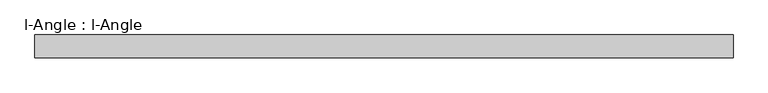
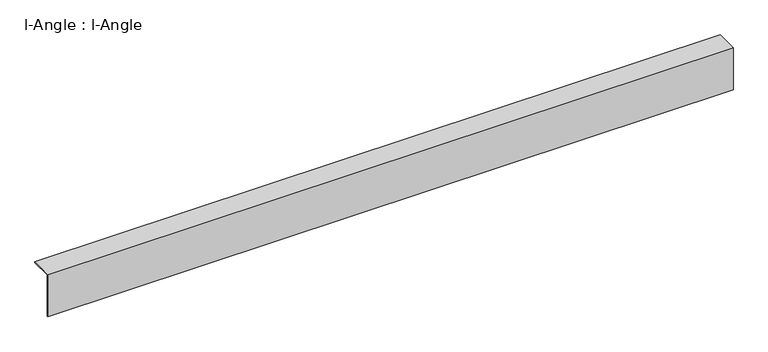
"""IFC4 building model written with IfcOpenShell, lengths in millimetres: proxy geometry, l-Angle : l-Angle."""

import ifcopenshell
import ifcopenshell.guid

model = None  # the IFC model being written
_history = None  # IfcOwnerHistory: only IFC2X3 demands one
_inside = {}  # id of a spatial element -> (the spatial element, [elements in it])
_under = {}  # id of a project, library or spatial element -> (it, [spatial elements below it])
_declared = {}  # id of a project -> (the project, [libraries it declares])
_typed = {}  # id of a type object -> (the type object, [elements of that type])
_made_of = {}  # id of a material, layer set ... -> (it, [elements and type objects made of it])


def new_model(schema):
    """Start an empty IFC model of exactly this schema.

    Asked for "IFC4X3", IfcOpenShell would pick the latest addendum, in which some entities
    have other attributes; the version numbers below select the first issue.
    IFC2X3 requires an IfcOwnerHistory on every rooted entity: one is made here for all.
    """
    global model, _history
    if schema == "IFC4X3":
        model = ifcopenshell.file(schema_version=(4, 3, 0, 0))
    else:
        model = ifcopenshell.file(schema=schema)
    _inside.clear()
    _under.clear()
    _declared.clear()
    _typed.clear()
    _made_of.clear()
    _history = None
    if model.schema == "IFC2X3":
        org = make("IfcOrganization", Name="unknown")
        user = make(
            "IfcPersonAndOrganization",
            ThePerson=make("IfcPerson", FamilyName="unknown"),
            TheOrganization=org,
        )
        app = make(
            "IfcApplication",
            ApplicationDeveloper=org,
            Version="unknown",
            ApplicationFullName="unknown",
            ApplicationIdentifier="unknown",
        )
        _history = make(
            "IfcOwnerHistory",
            OwningUser=user,
            OwningApplication=app,
            ChangeAction="ADDED",
            CreationDate=0,
        )
    return model


def make(cls, **values):
    """One entity of the class cls with the attributes given. An attribute that is None is left unset."""
    return model.create_entity(
        cls, **{name: value for name, value in values.items() if value is not None}
    )


def rooted(cls, **values):
    """An entity with a GlobalId (a new one), such as an element, a storey or a relation."""
    return make(cls, GlobalId=ifcopenshell.guid.new(), OwnerHistory=_history, **values)


def si_unit(unit_type, name, prefix=None):
    """IfcSIUnit, for example si_unit("LENGTHUNIT", "METRE", prefix="MILLI")."""
    return make("IfcSIUnit", UnitType=unit_type, Prefix=prefix, Name=name)


def assignment(units):
    """IfcUnitAssignment: the units of a project."""
    return None if units is None else make("IfcUnitAssignment", Units=units)


def point(xyz):
    """IfcCartesianPoint."""
    return None if xyz is None else make("IfcCartesianPoint", Coordinates=xyz)


def direction(xyz):
    """IfcDirection."""
    return None if xyz is None else make("IfcDirection", DirectionRatios=xyz)


def frame(location, z_axis=None, x_axis=None):
    """IfcAxis2Placement3D, a coordinate frame: its origin and axes. An axis left out is left unset."""
    return make(
        "IfcAxis2Placement3D",
        Location=point(location),
        Axis=direction(z_axis),
        RefDirection=direction(x_axis),
    )


def origin():
    """The frame at (0, 0, 0) with its axes left unset."""
    return frame((0.0, 0.0, 0.0))


def place(relative_to, where):
    """IfcLocalPlacement: puts the frame where relative to a parent placement (None: the world)."""
    return make(
        "IfcLocalPlacement", PlacementRelTo=relative_to, RelativePlacement=where
    )


def context(
    kind, dimensions, precision=None, world=None, true_north=None, identifier=None
):
    """IfcGeometricRepresentationContext, for example the 3D "Model" context."""
    return make(
        "IfcGeometricRepresentationContext",
        ContextIdentifier=identifier,
        ContextType=kind,
        CoordinateSpaceDimension=dimensions,
        Precision=precision,
        WorldCoordinateSystem=world,
        TrueNorth=true_north,
    )


def project(units=None, contexts=None):
    """IfcProject with its units and contexts."""
    return rooted(
        "IfcProject",
        Name="project",
        RepresentationContexts=contexts,
        UnitsInContext=assignment(units),
    )


def spatial(cls, under=None, at=None, **own):
    """A site, building, storey or space (cls), placed at a placement, below another one or the project."""
    s = rooted(cls, ObjectPlacement=at, **own)
    if under is not None:
        _under.setdefault(under.id(), (under, []))[1].append(s)
    return s


def polyline(points):
    """IfcPolyline through the points."""
    return make("IfcPolyline", Points=[point(p) for p in points])


def outline(outer, holes=None, kind="AREA"):
    """IfcArbitraryClosedProfileDef: a profile drawn as a closed curve; with holes, ...WithVoids."""
    if holes is None:
        return make("IfcArbitraryClosedProfileDef", ProfileType=kind, OuterCurve=outer)
    return make(
        "IfcArbitraryProfileDefWithVoids",
        ProfileType=kind,
        OuterCurve=outer,
        InnerCurves=holes,
    )


def extrude(swept, where, along, depth):
    """IfcExtrudedAreaSolid: the profile swept, set in the frame where, extruded along a direction by depth."""
    return make(
        "IfcExtrudedAreaSolid",
        SweptArea=swept,
        Position=where,
        ExtrudedDirection=direction(along),
        Depth=depth,
    )


def shape(context_of_items, identifier, shape_type, items):
    """IfcShapeRepresentation: the items that make up one representation, for example the "Body"."""
    return make(
        "IfcShapeRepresentation",
        ContextOfItems=context_of_items,
        RepresentationIdentifier=identifier,
        RepresentationType=shape_type,
        Items=items,
    )


def source(mapping_origin, context_of_items, identifier, shape_type, items):
    """IfcRepresentationMap: a shape defined once, which mapped items show again and again."""
    return make(
        "IfcRepresentationMap",
        MappingOrigin=mapping_origin,
        MappedRepresentation=shape(context_of_items, identifier, shape_type, items),
    )


def transform(
    local_origin,
    x_axis=None,
    y_axis=None,
    z_axis=None,
    scale=None,
    scale2=None,
    scale3=None,
    uniform=True,
):
    """IfcCartesianTransformationOperator3D, or its non-uniform kind. x_axis, y_axis, z_axis: its Axis1, 2, 3."""
    if uniform:
        return make(
            "IfcCartesianTransformationOperator3D",
            Axis1=direction(x_axis),
            Axis2=direction(y_axis),
            LocalOrigin=point(local_origin),
            Scale=scale,
            Axis3=direction(z_axis),
        )
    return make(
        "IfcCartesianTransformationOperator3DnonUniform",
        Axis1=direction(x_axis),
        Axis2=direction(y_axis),
        LocalOrigin=point(local_origin),
        Scale=scale,
        Axis3=direction(z_axis),
        Scale2=scale2,
        Scale3=scale3,
    )


def mapped(mapping_source, mapping_target):
    """IfcMappedItem: shows the shape of a source again, moved by a transform."""
    return make(
        "IfcMappedItem", MappingSource=mapping_source, MappingTarget=mapping_target
    )


def made_of(thing, what):
    """Note that an element or type object is made of a material, layer set ...; save() writes the relation."""
    if what is not None:
        _made_of.setdefault(what.id(), (what, []))[1].append(thing)
    return thing


def element(
    cls,
    number,
    at=None,
    inside=None,
    cuts=None,
    type_object=None,
    material=None,
    context=None,
    identifier="Body",
    shape_type=None,
    held_by="IfcProductDefinitionShape",
    body=None,
    shapes=None,
    **own,
):
    """One element of the class cls, such as IfcWall. Its Tag is "e" and its number.

    at: its placement. inside: the storey or other place that contains it. cuts: it is an
    opening in that element (IfcRelVoidsElement). A single representation is given by context,
    identifier, shape_type and body (its items); several are given by shapes. held_by: the class
    of the entity that holds the representations. save() writes the other relations.
    """
    e = rooted(cls, Tag="e%d" % number, ObjectPlacement=at, **own)
    if body is not None:
        shapes = [shape(context, identifier, shape_type, body)]
    if shapes is not None:
        e.Representation = make(held_by, Representations=shapes)
    if inside is not None:
        _inside.setdefault(inside.id(), (inside, []))[1].append(e)
    if cuts is not None:
        rooted(
            "IfcRelVoidsElement", RelatingBuildingElement=cuts, RelatedOpeningElement=e
        )
    if type_object is not None:
        _typed.setdefault(type_object.id(), (type_object, []))[1].append(e)
    return made_of(e, material)


def aggregate(whole, parts):
    """IfcRelAggregates: a whole, such as a stair, and the parts it consists of."""
    return rooted("IfcRelAggregates", RelatingObject=whole, RelatedObjects=parts)


def save(model, path):
    """Write the relations noted so far, then the file.

    IfcRelAggregates (storeys below a building ...), IfcRelContainedInSpatialStructure (elements
    in a storey), IfcRelDefinesByType, IfcRelAssociatesMaterial and IfcRelDeclares: one each for
    every whole, place, type object, material and project.
    """
    for whole, parts in _under.values():
        aggregate(whole, parts)
    for where, things in _inside.values():
        rooted(
            "IfcRelContainedInSpatialStructure",
            RelatedElements=things,
            RelatingStructure=where,
        )
    for kind, things in _typed.values():
        rooted("IfcRelDefinesByType", RelatedObjects=things, RelatingType=kind)
    for what, things in _made_of.values():
        rooted("IfcRelAssociatesMaterial", RelatedObjects=things, RelatingMaterial=what)
    for by, libraries in _declared.values():
        rooted("IfcRelDeclares", RelatingContext=by, RelatedDefinitions=libraries)
    model.write(path)


def l_angle_l_angle_84606897(model_context):
    return source(origin(), model_context, "Body", "SweptSolid", [
        extrude(outline(polyline([(0.0, -100.0), (0.0, 0.0), (50.0, 0.0), (50.0, -1.9174464), (2.0, -1.9174464), (2.0, -100.0), (0.0, -100.0)])), frame((0.0, 0.0, 0.0), z_axis=(1.0, 0.0, 0.0), x_axis=(0.0, 1.0, 0.0)), (0.0, 0.0, 1.0), 1535.0488953),
    ])


if __name__ == "__main__":
    model = new_model("IFC4")
    model_context = context("Model", 3, world=origin())
    ifc_project = project(units=[si_unit("LENGTHUNIT", "METRE", prefix="MILLI")], contexts=[model_context])
    site = spatial("IfcSite", under=ifc_project)
    building = spatial("IfcBuilding", under=site)
    placement = place(None, origin())
    l_angle_l_angle_shape = l_angle_l_angle_84606897(model_context)
    element("IfcBuildingElementProxy", 1, Name="l-Angle : l-Angle", ObjectType="l-Angle : l-Angle", at=placement, inside=building, context=model_context, shape_type="MappedRepresentation", body=[
        mapped(l_angle_l_angle_shape, transform((0.0, 0.0, 0.0), x_axis=(1.0, 0.0, 0.0), y_axis=(0.0, 1.0, 0.0), z_axis=(0.0, 0.0, 1.0))),
    ])
    save(model, "model.ifc")
